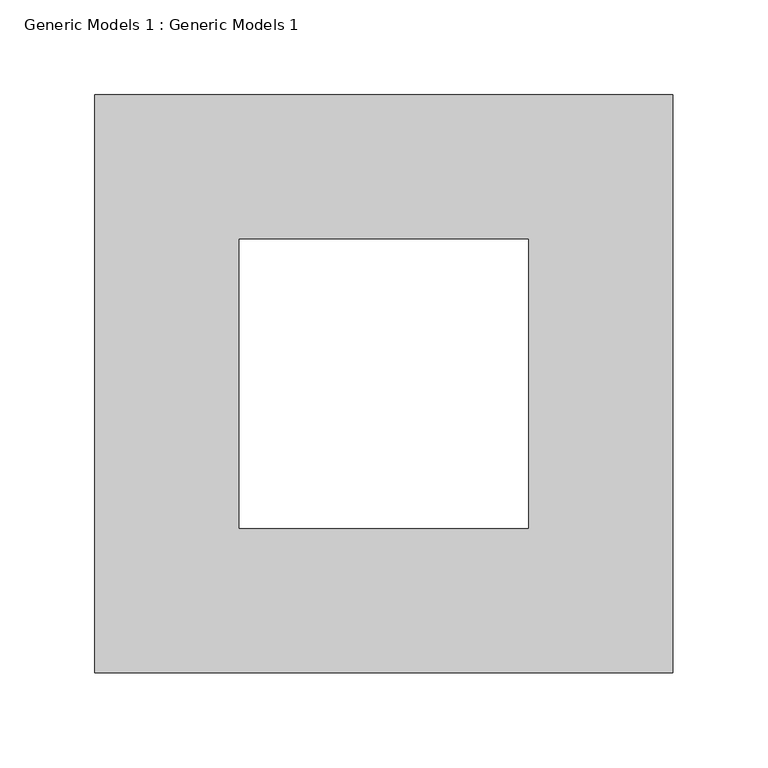
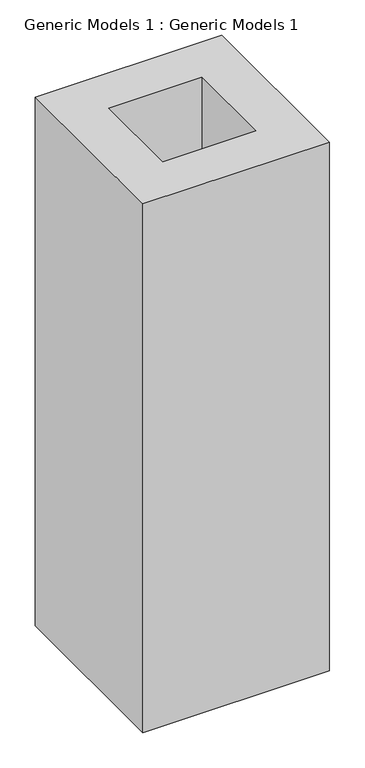
"""IFC4 building model written with IfcOpenShell, lengths in millimetres: proxy geometry, Generic Models 1 : Generic Models 1."""

from ifc_helpers import new_model, si_unit, origin, origin_with_axes, place, context, project, spatial, polyline, outline, extrude, source, transform, mapped, element, save


def generic_models_1_generic_models_1_81a57ff3(model_context):
    return source(origin(), model_context, "Body", "SweptSolid", [
        extrude(outline(polyline([(304.8, 0.0), (0.0, 0.0), (0.0, 304.8), (304.8, 304.8), (304.8, 0.0)]), holes=[polyline([(228.6, 228.6), (76.2, 228.6), (76.2, 76.2), (228.6, 76.2), (228.6, 228.6)])]), origin_with_axes(), (0.0, 0.0, 1.0), 914.4),
    ])


if __name__ == "__main__":
    model = new_model("IFC4")
    model_context = context("Model", 3, world=origin())
    ifc_project = project(units=[si_unit("LENGTHUNIT", "METRE", prefix="MILLI")], contexts=[model_context])
    site = spatial("IfcSite", under=ifc_project)
    building = spatial("IfcBuilding", under=site)
    placement = place(None, origin())
    generic_models_1_generic_models_1_shape = generic_models_1_generic_models_1_81a57ff3(model_context)
    element("IfcBuildingElementProxy", 1, Name="Generic Models 1 : Generic Models 1", ObjectType="Generic Models 1 : Generic Models 1", at=placement, inside=building, context=model_context, shape_type="MappedRepresentation", body=[
        mapped(generic_models_1_generic_models_1_shape, transform((0.0, 0.0, 0.0), x_axis=(1.0, 0.0, 0.0), y_axis=(0.0, 1.0, 0.0), z_axis=(0.0, 0.0, 1.0))),
    ])
    save(model, "model.ifc")
